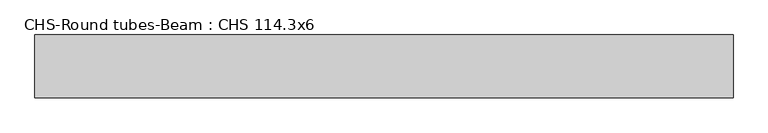
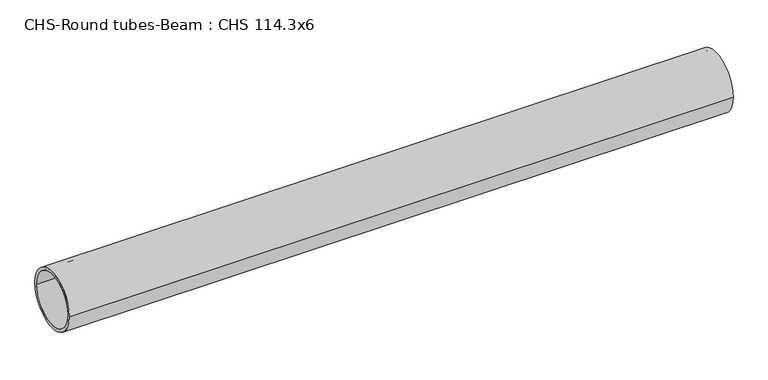
"""IFC4 building model written with IfcOpenShell, lengths in millimetres: beam geometry, CHS-Round tubes-Beam : CHS 114.3x6."""

from ifc_helpers import new_model, si_unit, point, frame, origin, origin_2d, place, context, project, spatial, circle_curve, trimmed, segment, composite_curve, outline, extrude, source, transform, mapped, element, save


def chs_round_tubes_beam_chs_114_3x6_ecddbd74(model_context):
    return source(origin(), model_context, "Body", "SweptSolid", [
        extrude(outline(composite_curve([segment(trimmed(circle_curve(origin_2d(), 57.15), [point((57.15, 0.0))], [point((-57.15, 0.0))], False, "CARTESIAN"), True, "CONTINUOUS"), segment(trimmed(circle_curve(origin_2d(), 57.15), [point((-57.15, 0.0))], [point((57.15, 0.0))], False, "CARTESIAN"), True, "CONTINUOUS")], self_intersect=False), holes=[composite_curve([segment(trimmed(circle_curve(origin_2d(), 51.15), [point((51.15, 0.0))], [point((-51.15, 0.0))], True, "CARTESIAN"), True, "CONTINUOUS"), segment(trimmed(circle_curve(origin_2d(), 51.15), [point((-51.15, 0.0))], [point((51.15, 0.0))], True, "CARTESIAN"), True, "CONTINUOUS")], self_intersect=False)]), frame((-633.2521842, 0.0, 0.0), z_axis=(1.0, 0.0, 0.0), x_axis=(0.0, 1.0, 0.0)), (0.0, 0.0, 1.0), 1272.8360464),
    ])


if __name__ == "__main__":
    model = new_model("IFC4")
    model_context = context("Model", 3, world=origin())
    ifc_project = project(units=[si_unit("LENGTHUNIT", "METRE", prefix="MILLI")], contexts=[model_context])
    site = spatial("IfcSite", under=ifc_project)
    building = spatial("IfcBuilding", under=site)
    placement = place(None, origin())
    chs_round_tubes_beam_chs_114_3x6_shape = chs_round_tubes_beam_chs_114_3x6_ecddbd74(model_context)
    element("IfcBeam", 1, ObjectType="CHS-Round tubes-Beam : CHS 114.3x6", at=placement, inside=building, context=model_context, shape_type="MappedRepresentation", body=[
        mapped(chs_round_tubes_beam_chs_114_3x6_shape, transform((0.0, 0.0, 0.0), x_axis=(1.0, 0.0, 0.0), y_axis=(0.0, 1.0, 0.0), z_axis=(0.0, 0.0, 1.0))),
    ])
    save(model, "model.ifc")
